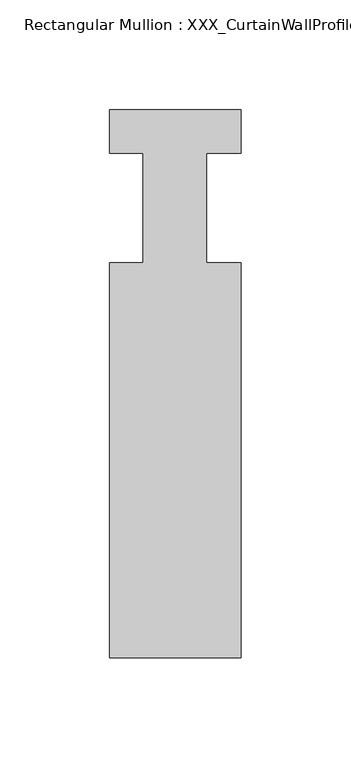
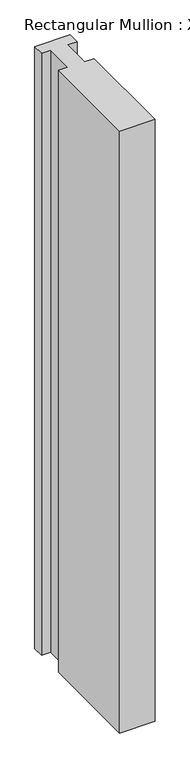
"""IFC4 building model written with IfcOpenShell, lengths in millimetres: member geometry, Rectangular Mullion : XXX_CurtainWallProfile_Ext_VerticalMullion-60x170mm."""

from ifc_helpers import new_model, si_unit, frame, origin, place, context, project, spatial, polyline, outline, extrude, source, transform, mapped, element, save


def rectangular_mullion_xxx_curtainwallprofile_ext_4b530331(model_context):
    return source(origin(), model_context, "Body", "SweptSolid", [
        extrude(outline(polyline([(0.0, 9.6099719), (0.0, -10.2206981), (-15.8124, -10.2206981), (-15.8124, -60.2206981), (0.0, -60.2206981), (0.0, -240.2206971), (-59.9753368, -240.2206971), (-59.9753368, -60.2206981), (-44.6625735, -60.2206981), (-44.6625735, -10.2206981), (-59.9753368, -10.2206981), (-59.9753368, 9.6099719), (0.0, 9.6099719)])), frame((0.0, 0.0, -1080.0493265), z_axis=(0.0, 0.0, 1.0), x_axis=(1.0, 0.0, 0.0)), (0.0, 0.0, 1.0), 1080.0493265),
    ])


if __name__ == "__main__":
    model = new_model("IFC4")
    model_context = context("Model", 3, world=origin())
    ifc_project = project(units=[si_unit("LENGTHUNIT", "METRE", prefix="MILLI")], contexts=[model_context])
    site = spatial("IfcSite", under=ifc_project)
    building = spatial("IfcBuilding", under=site)
    placement = place(None, origin())
    rectangular_mullion_xxx_curtainwallprofile_ext_shape = rectangular_mullion_xxx_curtainwallprofile_ext_4b530331(model_context)
    element("IfcMember", 1, ObjectType="Rectangular Mullion : XXX_CurtainWallProfile_Ext_VerticalMullion-60x170mm", at=placement, inside=building, context=model_context, shape_type="MappedRepresentation", body=[
        mapped(rectangular_mullion_xxx_curtainwallprofile_ext_shape, transform((0.0, 0.0, 0.0), x_axis=(1.0, 0.0, 0.0), y_axis=(0.0, 1.0, 0.0), z_axis=(0.0, 0.0, 1.0))),
    ])
    save(model, "model.ifc")
